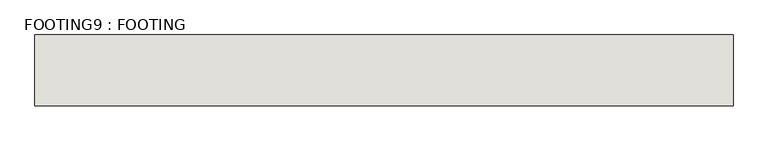
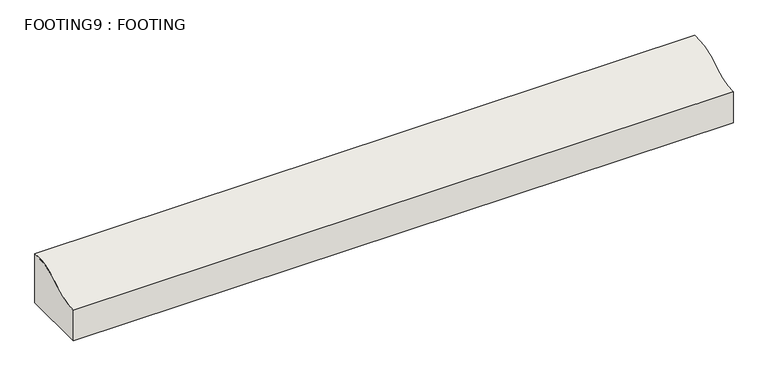
"""IFC4 building model written with IfcOpenShell, lengths in millimetres: wall geometry, FOOTING9 : FOOTING."""

import ifcopenshell
import ifcopenshell.guid

model = None  # the IFC model being written
_history = None  # IfcOwnerHistory: only IFC2X3 demands one
_inside = {}  # id of a spatial element -> (the spatial element, [elements in it])
_under = {}  # id of a project, library or spatial element -> (it, [spatial elements below it])
_declared = {}  # id of a project -> (the project, [libraries it declares])
_typed = {}  # id of a type object -> (the type object, [elements of that type])
_made_of = {}  # id of a material, layer set ... -> (it, [elements and type objects made of it])


def new_model(schema):
    """Start an empty IFC model of exactly this schema.

    Asked for "IFC4X3", IfcOpenShell would pick the latest addendum, in which some entities
    have other attributes; the version numbers below select the first issue.
    IFC2X3 requires an IfcOwnerHistory on every rooted entity: one is made here for all.
    """
    global model, _history
    if schema == "IFC4X3":
        model = ifcopenshell.file(schema_version=(4, 3, 0, 0))
    else:
        model = ifcopenshell.file(schema=schema)
    _inside.clear()
    _under.clear()
    _declared.clear()
    _typed.clear()
    _made_of.clear()
    _history = None
    if model.schema == "IFC2X3":
        org = make("IfcOrganization", Name="unknown")
        user = make(
            "IfcPersonAndOrganization",
            ThePerson=make("IfcPerson", FamilyName="unknown"),
            TheOrganization=org,
        )
        app = make(
            "IfcApplication",
            ApplicationDeveloper=org,
            Version="unknown",
            ApplicationFullName="unknown",
            ApplicationIdentifier="unknown",
        )
        _history = make(
            "IfcOwnerHistory",
            OwningUser=user,
            OwningApplication=app,
            ChangeAction="ADDED",
            CreationDate=0,
        )
    return model


def make(cls, **values):
    """One entity of the class cls with the attributes given. An attribute that is None is left unset."""
    return model.create_entity(
        cls, **{name: value for name, value in values.items() if value is not None}
    )


def rooted(cls, **values):
    """An entity with a GlobalId (a new one), such as an element, a storey or a relation."""
    return make(cls, GlobalId=ifcopenshell.guid.new(), OwnerHistory=_history, **values)


def si_unit(unit_type, name, prefix=None):
    """IfcSIUnit, for example si_unit("LENGTHUNIT", "METRE", prefix="MILLI")."""
    return make("IfcSIUnit", UnitType=unit_type, Prefix=prefix, Name=name)


def assignment(units):
    """IfcUnitAssignment: the units of a project."""
    return None if units is None else make("IfcUnitAssignment", Units=units)


def point(xyz):
    """IfcCartesianPoint."""
    return None if xyz is None else make("IfcCartesianPoint", Coordinates=xyz)


def direction(xyz):
    """IfcDirection."""
    return None if xyz is None else make("IfcDirection", DirectionRatios=xyz)


def frame(location, z_axis=None, x_axis=None):
    """IfcAxis2Placement3D, a coordinate frame: its origin and axes. An axis left out is left unset."""
    return make(
        "IfcAxis2Placement3D",
        Location=point(location),
        Axis=direction(z_axis),
        RefDirection=direction(x_axis),
    )


def origin():
    """The frame at (0, 0, 0) with its axes left unset."""
    return frame((0.0, 0.0, 0.0))


def place(relative_to, where):
    """IfcLocalPlacement: puts the frame where relative to a parent placement (None: the world)."""
    return make(
        "IfcLocalPlacement", PlacementRelTo=relative_to, RelativePlacement=where
    )


def context(
    kind, dimensions, precision=None, world=None, true_north=None, identifier=None
):
    """IfcGeometricRepresentationContext, for example the 3D "Model" context."""
    return make(
        "IfcGeometricRepresentationContext",
        ContextIdentifier=identifier,
        ContextType=kind,
        CoordinateSpaceDimension=dimensions,
        Precision=precision,
        WorldCoordinateSystem=world,
        TrueNorth=true_north,
    )


def project(units=None, contexts=None):
    """IfcProject with its units and contexts."""
    return rooted(
        "IfcProject",
        Name="project",
        RepresentationContexts=contexts,
        UnitsInContext=assignment(units),
    )


def spatial(cls, under=None, at=None, **own):
    """A site, building, storey or space (cls), placed at a placement, below another one or the project."""
    s = rooted(cls, ObjectPlacement=at, **own)
    if under is not None:
        _under.setdefault(under.id(), (under, []))[1].append(s)
    return s


def shape(context_of_items, identifier, shape_type, items):
    """IfcShapeRepresentation: the items that make up one representation, for example the "Body"."""
    return make(
        "IfcShapeRepresentation",
        ContextOfItems=context_of_items,
        RepresentationIdentifier=identifier,
        RepresentationType=shape_type,
        Items=items,
    )


def source(mapping_origin, context_of_items, identifier, shape_type, items):
    """IfcRepresentationMap: a shape defined once, which mapped items show again and again."""
    return make(
        "IfcRepresentationMap",
        MappingOrigin=mapping_origin,
        MappedRepresentation=shape(context_of_items, identifier, shape_type, items),
    )


def transform(
    local_origin,
    x_axis=None,
    y_axis=None,
    z_axis=None,
    scale=None,
    scale2=None,
    scale3=None,
    uniform=True,
):
    """IfcCartesianTransformationOperator3D, or its non-uniform kind. x_axis, y_axis, z_axis: its Axis1, 2, 3."""
    if uniform:
        return make(
            "IfcCartesianTransformationOperator3D",
            Axis1=direction(x_axis),
            Axis2=direction(y_axis),
            LocalOrigin=point(local_origin),
            Scale=scale,
            Axis3=direction(z_axis),
        )
    return make(
        "IfcCartesianTransformationOperator3DnonUniform",
        Axis1=direction(x_axis),
        Axis2=direction(y_axis),
        LocalOrigin=point(local_origin),
        Scale=scale,
        Axis3=direction(z_axis),
        Scale2=scale2,
        Scale3=scale3,
    )


def mapped(mapping_source, mapping_target):
    """IfcMappedItem: shows the shape of a source again, moved by a transform."""
    return make(
        "IfcMappedItem", MappingSource=mapping_source, MappingTarget=mapping_target
    )


def made_of(thing, what):
    """Note that an element or type object is made of a material, layer set ...; save() writes the relation."""
    if what is not None:
        _made_of.setdefault(what.id(), (what, []))[1].append(thing)
    return thing


def element(
    cls,
    number,
    at=None,
    inside=None,
    cuts=None,
    type_object=None,
    material=None,
    context=None,
    identifier="Body",
    shape_type=None,
    held_by="IfcProductDefinitionShape",
    body=None,
    shapes=None,
    **own,
):
    """One element of the class cls, such as IfcWall. Its Tag is "e" and its number.

    at: its placement. inside: the storey or other place that contains it. cuts: it is an
    opening in that element (IfcRelVoidsElement). A single representation is given by context,
    identifier, shape_type and body (its items); several are given by shapes. held_by: the class
    of the entity that holds the representations. save() writes the other relations.
    """
    e = rooted(cls, Tag="e%d" % number, ObjectPlacement=at, **own)
    if body is not None:
        shapes = [shape(context, identifier, shape_type, body)]
    if shapes is not None:
        e.Representation = make(held_by, Representations=shapes)
    if inside is not None:
        _inside.setdefault(inside.id(), (inside, []))[1].append(e)
    if cuts is not None:
        rooted(
            "IfcRelVoidsElement", RelatingBuildingElement=cuts, RelatedOpeningElement=e
        )
    if type_object is not None:
        _typed.setdefault(type_object.id(), (type_object, []))[1].append(e)
    return made_of(e, material)


def aggregate(whole, parts):
    """IfcRelAggregates: a whole, such as a stair, and the parts it consists of."""
    return rooted("IfcRelAggregates", RelatingObject=whole, RelatedObjects=parts)


def save(model, path):
    """Write the relations noted so far, then the file.

    IfcRelAggregates (storeys below a building ...), IfcRelContainedInSpatialStructure (elements
    in a storey), IfcRelDefinesByType, IfcRelAssociatesMaterial and IfcRelDeclares: one each for
    every whole, place, type object, material and project.
    """
    for whole, parts in _under.values():
        aggregate(whole, parts)
    for where, things in _inside.values():
        rooted(
            "IfcRelContainedInSpatialStructure",
            RelatedElements=things,
            RelatingStructure=where,
        )
    for kind, things in _typed.values():
        rooted("IfcRelDefinesByType", RelatedObjects=things, RelatingType=kind)
    for what, things in _made_of.values():
        rooted("IfcRelAssociatesMaterial", RelatedObjects=things, RelatingMaterial=what)
    for by, libraries in _declared.values():
        rooted("IfcRelDeclares", RelatingContext=by, RelatedDefinitions=libraries)
    model.write(path)


def plane_surface(at):
    """IfcPlane: the flat surface through the origin of the frame at, square to its z axis."""
    return make("IfcPlane", Position=at)


def extruded_surface(curve, direction_of_extrusion, depth):
    """IfcSurfaceOfLinearExtrusion: the curve pushed along a direction by depth."""
    return make(
        "IfcSurfaceOfLinearExtrusion",
        SweptCurve=make("IfcArbitraryOpenProfileDef", ProfileType="CURVE", Curve=curve),
        ExtrudedDirection=direction(direction_of_extrusion),
        Depth=depth,
    )


def spline_curve(degree, points, multiplicities, knots, weights=None):
    """IfcBSplineCurveWithKnots; with weights, IfcRationalBSplineCurveWithKnots."""
    own = dict(
        Degree=degree,
        ControlPointsList=[point(p) for p in points],
        CurveForm="UNSPECIFIED",
        ClosedCurve=False,
        SelfIntersect=False,
        KnotMultiplicities=multiplicities,
        Knots=knots,
        KnotSpec="UNSPECIFIED",
    )
    if weights is None:
        return make("IfcBSplineCurveWithKnots", **own)
    return make("IfcRationalBSplineCurveWithKnots", WeightsData=weights, **own)


def advanced_brep(points, edges, surfaces, faces):
    """IfcAdvancedBrep: a solid bounded by faces that lie on surfaces and meet in shared edges.

    An edge is (start, end): straight between two places in points (the first is 0);
    or (start, end, curve); or (start, end, curve, False) where it runs against its curve.
    A face is (place in surfaces, loops), or (place, loops, False) where it looks against
    its surface's normal. A loop lists edges by number (the first is 1), with a minus sign
    where the edge is run from its end to its start. The first loop is the outer one.
    """
    corners = [point(p) for p in points]
    vertices = [make("IfcVertexPoint", VertexGeometry=c) for c in corners]
    made = []
    for start, end, *more in edges:
        made.append(
            make(
                "IfcEdgeCurve",
                EdgeStart=vertices[start],
                EdgeEnd=vertices[end],
                EdgeGeometry=more[0] if more else make("IfcPolyline", Points=[corners[start], corners[end]]),
                SameSense=more[1] if len(more) > 1 else True,
            )
        )
    hull = []
    for where, loops, *sense in faces:
        bounds = []
        for j, loop in enumerate(loops):
            ring = [make("IfcOrientedEdge", EdgeElement=made[abs(k) - 1], Orientation=k > 0) for k in loop]
            bounds.append(
                make(
                    "IfcFaceOuterBound" if j == 0 else "IfcFaceBound",
                    Bound=make("IfcEdgeLoop", EdgeList=ring),
                    Orientation=True,
                )
            )
        hull.append(make("IfcAdvancedFace", Bounds=bounds, FaceSurface=surfaces[where], SameSense=sense[0] if sense else True))
    return make("IfcAdvancedBrep", Outer=make("IfcClosedShell", CfsFaces=hull))


def footing9_footing_23b79b80(model_context):
    return source(origin(), model_context, "Body", "AdvancedBrep", [
        advanced_brep(
        [(1745.9560968, 2464.9003704, -225.425), (1745.9560968, 2227.6001796, -294.8820573), (1745.9560968, 2227.6001796, -409.575), (1745.9560968, 2464.9003704, -409.575), (-597.1939032, 2464.9003704, -225.425), (-597.1939032, 2464.9003704, -409.575), (-597.1939032, 2227.6001796, -409.575), (-597.1939032, 2227.6001796, -294.8820573)],
        [
            (0, 1, spline_curve(3, [(1745.9560968, 2464.9003704, -225.425), (1745.9560968, 2392.244785623, -219.068459992), (1745.9560968, 2359.623499887, -246.531811208), (1745.9560968, 2293.823050489, -283.283480467), (1745.9560968, 2261.700370376, -294.8820573), (1745.9560968, 2227.6001796, -294.8820573)], [4, 2, 4], [0.0, 0.24746321530209436, 0.4524582257296428])),
            (1, 2),
            (2, 3),
            (3, 0),
            (4, 5),
            (5, 6),
            (6, 7),
            (7, 4, spline_curve(3, [(-597.1939032, 2227.6001796, -294.8820573), (-597.1939032, 2261.700370376, -294.8820573), (-597.1939032, 2293.823050489, -283.283480467), (-597.1939032, 2359.623499887, -246.531811208), (-597.1939032, 2392.244785623, -219.068459992), (-597.1939032, 2464.9003704, -225.425)], [4, 2, 4], [0.0, 0.20499501042754842, 0.4524582257296428])),
            (2, 6),
            (5, 3),
            (4, 0),
            (7, 1),
        ],
        [
            plane_surface(frame((1745.9560968, 2464.9003704, 0.0), z_axis=(1.0, 0.0, 0.0), x_axis=(0.0, 0.0, 1.0))),
            plane_surface(frame((-597.1939032, 2464.9003704, 0.0), z_axis=(-1.0, 0.0, 0.0), x_axis=(0.0, 0.0, 1.0))),
            plane_surface(frame((1745.9560968, 2227.6001796, -409.575), z_axis=(0.0, 0.0, -1.0), x_axis=(-1.0, 0.0, 0.0))),
            plane_surface(frame((1745.9560968, 2464.9003704, -409.575), z_axis=(0.0, 1.0, 0.0), x_axis=(-1.0, 0.0, 0.0))),
            extruded_surface(spline_curve(3, [(-597.1939032, 2464.9003704, -225.425), (-597.1939032, 2392.244785623, -219.068459992), (-597.1939032, 2359.623499887, -246.531811208), (-597.1939032, 2293.823050489, -283.283480467), (-597.1939032, 2261.700370376, -294.8820573), (-597.1939032, 2227.6001796, -294.8820573)], [4, 2, 4], [0.0, 0.24746321530209436, 0.4524582257296428]), (2343.15, 0.0, 0.0), 2343.15),
            plane_surface(frame((1745.9560968, 2227.6001796, -294.8820573), z_axis=(0.0, -1.0, 0.0), x_axis=(-1.0, 0.0, 0.0))),
        ],
        [
            (0, [[1, 2, 3, 4]]),
            (1, [[5, 6, 7, 8]]),
            (2, [[-3, 9, -6, 10]]),
            (3, [[-4, -10, -5, 11]]),
            (4, [[-1, -11, -8, 12]]),
            (5, [[-2, -12, -7, -9]]),
        ],
    ),
    ])


if __name__ == "__main__":
    model = new_model("IFC4")
    model_context = context("Model", 3, world=origin())
    ifc_project = project(units=[si_unit("LENGTHUNIT", "METRE", prefix="MILLI")], contexts=[model_context])
    site = spatial("IfcSite", under=ifc_project)
    building = spatial("IfcBuilding", under=site)
    placement = place(None, origin())
    footing9_footing_shape = footing9_footing_23b79b80(model_context)
    element("IfcWall", 1, ObjectType="FOOTING9 : FOOTING", at=placement, inside=building, context=model_context, shape_type="MappedRepresentation", body=[
        mapped(footing9_footing_shape, transform((0.0, 0.0, 0.0), x_axis=(1.0, 0.0, 0.0), y_axis=(0.0, 1.0, 0.0), z_axis=(0.0, 0.0, 1.0))),
    ])
    save(model, "model.ifc")
